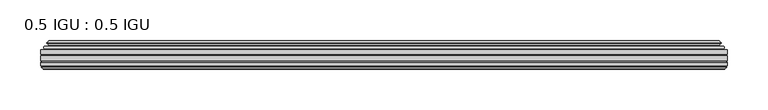
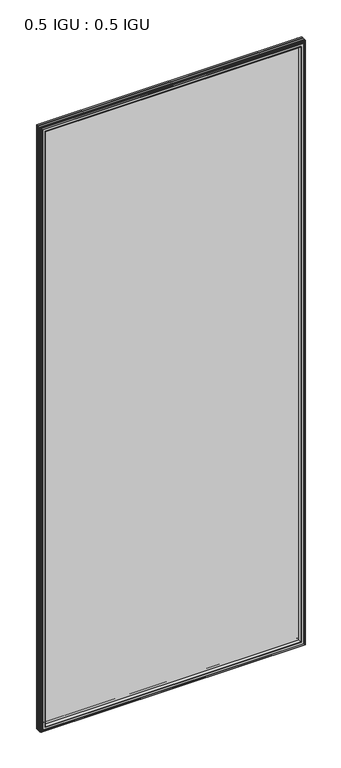
"""IFC4 building model written with IfcOpenShell, lengths in millimetres: plate geometry, 0.5 IGU : 0.5 IGU."""

from ifc_helpers import new_model, si_unit, frame, origin, place, context, project, spatial, polyline, ellipse_curve, outline, extrude, faceted_brep, source, transform, mapped, element, save
from ifc_brep_helpers import plane_surface, cylinder_surface, revolved_surface, advanced_brep


def plate_0_5_igu_0_5_igu_3813bb82(model_context):
    return source(origin(), model_context, "Body", "SolidModel", [
        extrude(outline(polyline([(420.701675, -55.82285), (420.701675, -61.48705), (-420.6875, -61.48705), (-420.6875, -55.82285), (420.701675, -55.82285)])), frame((0.0, 0.0, -14.2875), z_axis=(0.0, 0.0, 1.0), x_axis=(1.0, 0.0, 0.0)), (0.0, 0.0, 1.0), 2025.6537979),
        extrude(outline(polyline([(-420.6875, -69.05625), (-420.6875, -63.39205), (420.701675, -63.39205), (420.701675, -69.05625), (-420.6875, -69.05625)])), frame((0.0, 0.0, -14.2875), z_axis=(0.0, 0.0, 1.0), x_axis=(1.0, 0.0, 0.0)), (0.0, 0.0, 1.0), 2025.6537979),
        advanced_brep(
        [(-416.5849626, -54.3724927, 2007.2599626), (-415.5404378, -51.60645, 2006.2154378), (-415.5404378, -51.60645, -9.1404378), (-416.5849626, -54.3724927, -10.1849626), (-414.948517, -55.82285, 2005.623517), (-414.948517, -55.82285, -8.548517), (-406.4, -45.63745, 1997.075), (-402.8172761, -55.82285, 1993.4922761), (-402.8172761, -55.82285, 3.5827239), (-406.4, -45.63745, 0.0), (-411.5859109, -46.8185491, 2002.2609109), (-411.5859109, -46.8185491, -5.1859109), (-410.7888893, -44.8183085, 2001.4638893), (-410.7888893, -44.8183085, -4.3888893), (-413.0726111, -47.135817, 2003.7476111), (-413.0726111, -47.135817, -6.6726111), (-413.0726111, -47.8489429, 2003.7476111), (-413.0726111, -47.8489429, -6.6726111), (-410.7888893, -50.1664515, 2001.4638893), (-410.7888893, -50.1664515, -4.3888893), (-411.5782501, -48.1854367, 2002.2532501), (-411.5782501, -48.1854367, -5.1782501), (-409.0544379, -48.027045, 1999.7294379), (-409.0544379, -48.027045, -2.6544379), (-408.0286217, -48.7147544, 1998.7036217), (-408.0286217, -48.7147544, -1.6286217), (-408.1470288, -50.1092231, 1998.8220288), (-408.1470288, -50.1092231, -1.7470288), (-408.7487748, -51.60645, 1999.4237748), (-408.7487748, -51.60645, -2.3487748), (415.5404378, -51.60645, -9.1404378), (416.5849626, -54.3724927, -10.1849626), (414.948517, -55.82285, -8.548517), (402.8172761, -55.82285, 3.5827239), (406.4, -45.63745, 0.0), (411.5859109, -46.8185491, -5.1859109), (410.7888893, -44.8183085, -4.3888893), (413.0726111, -47.135817, -6.6726111), (413.0726111, -47.8489429, -6.6726111), (410.7888893, -50.1664515, -4.3888893), (411.5782501, -48.1854367, -5.1782501), (409.0544379, -48.027045, -2.6544379), (408.0286217, -48.7147544, -1.6286217), (408.1470288, -50.1092231, -1.7470288), (408.7487748, -51.60645, -2.3487748), (415.5404378, -51.60645, 2006.2154378), (416.5849626, -54.3724927, 2007.2599626), (414.948517, -55.82285, 2005.623517), (402.8172761, -55.82285, 1993.4922761), (406.4, -45.63745, 1997.075), (411.5859109, -46.8185491, 2002.2609109), (410.7888893, -44.8183085, 2001.4638893), (413.0726111, -47.135817, 2003.7476111), (413.0726111, -47.8489429, 2003.7476111), (410.7888893, -50.1664515, 2001.4638893), (411.5782501, -48.1854367, 2002.2532501), (409.0544379, -48.027045, 1999.7294379), (408.0286217, -48.7147544, 1998.7036217), (408.1470288, -50.1092231, 1998.8220288), (408.7487748, -51.60645, 1999.4237748)],
        [
            (0, 1, ellipse_curve(frame((-415.5320703, -53.1898501, 2006.2070703), z_axis=(-0.7071067811865475, 0.0, -0.7071067811865475), x_axis=(-0.7071067811865474, 0.0, 0.7071067811865476)), 2.2392971, 1.5834222)),
            (1, 2),
            (2, 3, ellipse_curve(frame((-415.5320703, -53.1898501, -9.1320703), z_axis=(-0.7071067811865475, 0.0, 0.7071067811865475), x_axis=(0.7071067811865474, 0.0, 0.7071067811865476)), 2.2392971, 1.5834222)),
            (3, 0),
            (4, 0),
            (3, 5),
            (5, 4),
            (6, 7, ellipse_curve(frame((-374.120246, -40.0058297, 1964.795246), z_axis=(0.7071067811865475, 0.0, 0.7071067811865475), x_axis=(0.7071067811865474, 0.0, -0.7071067811865476)), 46.3399971, 32.7673262)),
            (7, 8),
            (8, 9, ellipse_curve(frame((-374.120246, -40.0058297, 32.279754), z_axis=(0.7071067811865475, 0.0, -0.7071067811865475), x_axis=(-0.7071067811865474, 0.0, -0.7071067811865476)), 46.3399971, 32.7673262)),
            (9, 6),
            (10, 6),
            (9, 11),
            (11, 10),
            (12, 10),
            (11, 13),
            (13, 12),
            (14, 12),
            (13, 15),
            (15, 14),
            (16, 14, ellipse_curve(frame((-412.7107729, -47.49238, 2003.3857729), z_axis=(-0.7071067811865475, 0.0, -0.7071067811865475), x_axis=(-0.7071067811865474, 0.0, 0.7071067811865476)), 0.7184205, 0.508)),
            (15, 17, ellipse_curve(frame((-412.7107729, -47.49238, -6.3107729), z_axis=(-0.7071067811865475, 0.0, 0.7071067811865475), x_axis=(0.7071067811865474, 0.0, 0.7071067811865476)), 0.7184205, 0.508)),
            (17, 16),
            (18, 16),
            (17, 19),
            (19, 18),
            (20, 18),
            (19, 21),
            (21, 20),
            (22, 20),
            (21, 23),
            (23, 22),
            (24, 22, ellipse_curve(frame((-408.9908, -49.04105, 1999.6658), z_axis=(0.7071067811865475, 0.0, 0.7071067811865475), x_axis=(0.7071067811865474, 0.0, -0.7071067811865476)), 1.436841, 1.016)),
            (23, 25, ellipse_curve(frame((-408.9908, -49.04105, -2.5908), z_axis=(0.7071067811865475, 0.0, -0.7071067811865475), x_axis=(-0.7071067811865474, 0.0, -0.7071067811865476)), 1.436841, 1.016)),
            (25, 24),
            (26, 24, ellipse_curve(frame((-410.3624, -49.21885, 2001.0374), z_axis=(0.7071067811865475, 0.0, 0.7071067811865475), x_axis=(0.7071067811865474, 0.0, -0.7071067811865476)), 3.3765763, 2.3876)),
            (25, 27, ellipse_curve(frame((-410.3624, -49.21885, -3.9624), z_axis=(0.7071067811865475, 0.0, -0.7071067811865475), x_axis=(-0.7071067811865474, 0.0, -0.7071067811865476)), 3.3765763, 2.3876)),
            (27, 26),
            (28, 26),
            (27, 29),
            (29, 28),
            (2, 30),
            (30, 31, ellipse_curve(frame((415.5320703, -53.1898501, -9.1320703), z_axis=(-0.7071067811865475, 0.0, -0.7071067811865475), x_axis=(-0.7071067811865476, 0.0, 0.7071067811865474)), 2.2392971, 1.5834222)),
            (31, 3),
            (31, 32),
            (32, 5),
            (8, 33),
            (33, 34, ellipse_curve(frame((374.120246, -40.0058297, 32.279754), z_axis=(0.7071067811865475, 0.0, 0.7071067811865475), x_axis=(0.7071067811865476, 0.0, -0.7071067811865474)), 46.3399971, 32.7673262)),
            (34, 9),
            (34, 35),
            (35, 11),
            (35, 36),
            (36, 13),
            (36, 37),
            (37, 15),
            (37, 38, ellipse_curve(frame((412.7107729, -47.49238, -6.3107729), z_axis=(-0.7071067811865475, 0.0, -0.7071067811865475), x_axis=(-0.7071067811865476, 0.0, 0.7071067811865474)), 0.7184205, 0.508)),
            (38, 17),
            (38, 39),
            (39, 19),
            (39, 40),
            (40, 21),
            (40, 41),
            (41, 23),
            (41, 42, ellipse_curve(frame((408.9908, -49.04105, -2.5908), z_axis=(0.7071067811865475, 0.0, 0.7071067811865475), x_axis=(0.7071067811865476, 0.0, -0.7071067811865474)), 1.436841, 1.016)),
            (42, 25),
            (42, 43, ellipse_curve(frame((410.3624, -49.21885, -3.9624), z_axis=(0.7071067811865475, 0.0, 0.7071067811865475), x_axis=(0.7071067811865476, 0.0, -0.7071067811865474)), 3.3765763, 2.3876)),
            (43, 27),
            (43, 44),
            (44, 29),
            (30, 45),
            (45, 46, ellipse_curve(frame((415.5320703, -53.1898501, 2006.2070703), z_axis=(0.7071067811865475, 0.0, -0.7071067811865475), x_axis=(-0.7071067811865474, 0.0, -0.7071067811865476)), 2.2392971, 1.5834222)),
            (46, 31),
            (46, 47),
            (47, 32),
            (33, 48),
            (48, 49, ellipse_curve(frame((374.120246, -40.0058297, 1964.795246), z_axis=(-0.7071067811865475, 0.0, 0.7071067811865475), x_axis=(0.7071067811865474, 0.0, 0.7071067811865476)), 46.3399971, 32.7673262)),
            (49, 34),
            (49, 50),
            (50, 35),
            (50, 51),
            (51, 36),
            (51, 52),
            (52, 37),
            (52, 53, ellipse_curve(frame((412.7107729, -47.49238, 2003.3857729), z_axis=(0.7071067811865475, 0.0, -0.7071067811865475), x_axis=(-0.7071067811865474, 0.0, -0.7071067811865476)), 0.7184205, 0.508)),
            (53, 38),
            (53, 54),
            (54, 39),
            (54, 55),
            (55, 40),
            (55, 56),
            (56, 41),
            (56, 57, ellipse_curve(frame((408.9908, -49.04105, 1999.6658), z_axis=(-0.7071067811865475, 0.0, 0.7071067811865475), x_axis=(0.7071067811865474, 0.0, 0.7071067811865476)), 1.436841, 1.016)),
            (57, 42),
            (57, 58, ellipse_curve(frame((410.3624, -49.21885, 2001.0374), z_axis=(-0.7071067811865475, 0.0, 0.7071067811865475), x_axis=(0.7071067811865474, 0.0, 0.7071067811865476)), 3.3765763, 2.3876)),
            (58, 43),
            (58, 59),
            (59, 44),
            (45, 1),
            (0, 46),
            (4, 47),
            (7, 48),
            (6, 49),
            (10, 50),
            (12, 51),
            (14, 52),
            (16, 53),
            (18, 54),
            (20, 55),
            (22, 56),
            (24, 57),
            (26, 58),
            (28, 59),
        ],
        [
            cylinder_surface(frame((-415.5320703, -53.1898501, 2028.825), z_axis=(0.0, 0.0, 1.0), x_axis=(-1.0, 0.0, 0.0)), 1.5834222),
            plane_surface(frame((-416.5849626, -54.3724927, 2007.2599626), z_axis=(-0.6632745773184306, -0.7483761320907135, 0.0), x_axis=(0.0, 0.0, -1.0))),
            revolved_surface(polyline([(-406.8875722, -40.0058297, -0.48757218957507575), (-406.8875722, -40.0058297, 1997.562572189575)]), (-374.120246, -40.0058297, 2028.825), (0.0, 0.0, -1.0)),
            plane_surface(frame((-406.4, -45.63745, 1997.075), z_axis=(-0.2220649844278743, 0.975031867525902, 0.0), x_axis=(0.0, 0.0, -1.0))),
            plane_surface(frame((-411.5859109, -46.8185491, 2002.2609109), z_axis=(0.928968268563027, -0.37015936568323066, 0.0), x_axis=(0.0, 0.0, -1.0))),
            plane_surface(frame((-410.7888893, -44.8183085, 2001.4638893), z_axis=(-0.7122798501733482, 0.7018955869907096, 0.0), x_axis=(0.0, 0.0, -1.0))),
            cylinder_surface(frame((-412.7107729, -47.49238, 2028.825), z_axis=(0.0, 0.0, 1.0), x_axis=(-1.0, 0.0, 0.0)), 0.508),
            plane_surface(frame((-413.0726111, -47.8489429, 2003.7476111), z_axis=(-0.7122798501732925, -0.701895586990766, 0.0), x_axis=(0.0, 0.0, -1.0))),
            plane_surface(frame((-410.7888893, -50.1664515, 2001.4638893), z_axis=(0.9289682685628707, 0.3701593656836228, 0.0), x_axis=(0.0, 0.0, -1.0))),
            plane_surface(frame((-411.5782501, -48.1854367, 2002.2532501), z_axis=(0.0626357011928498, -0.9980364567169279, 0.0), x_axis=(0.0, 0.0, -1.0))),
            revolved_surface(polyline([(-410.0068, -49.04105, -3.6068000145867245), (-410.0068, -49.04105, 2000.6818000145868)]), (-408.9908, -49.04105, 2028.825), (0.0, 0.0, -1.0)),
            revolved_surface(polyline([(-412.75, -49.21885, -6.3499999989237494), (-412.75, -49.21885, 2003.4249999989238)]), (-410.3624, -49.21885, 2028.825), (0.0, 0.0, -1.0)),
            plane_surface(frame((-408.1470288, -50.1092231, 1998.8220288), z_axis=(-0.9278652925428184, 0.3729155385532094, 0.0), x_axis=(0.0, 0.0, -1.0))),
            cylinder_surface(frame((-438.15, -53.1898501, -9.1320703), z_axis=(-1.0, 0.0, 0.0), x_axis=(0.0, 0.0, -1.0)), 1.5834222),
            plane_surface(frame((-416.5849626, -54.3724927, -10.1849626), z_axis=(0.0, -0.7483761320907157, -0.6632745773184283), x_axis=(1.0, 0.0, 0.0))),
            revolved_surface(polyline([(406.88757218957505, -40.0058297, -0.48757220000000245), (-406.88757218957494, -40.0058297, -0.48757220000000245)]), (-438.15, -40.0058297, 32.279754), (1.0, 0.0, 0.0)),
            plane_surface(frame((-406.4, -45.63745, 0.0), z_axis=(0.0, 0.9750318675259013, -0.22206498442787745), x_axis=(1.0, 0.0, 0.0))),
            plane_surface(frame((-411.5859109, -46.8185491, -5.1859109), z_axis=(0.0, -0.37015936568322766, 0.9289682685630283), x_axis=(1.0, 0.0, 0.0))),
            plane_surface(frame((-410.7888893, -44.8183085, -4.3888893), z_axis=(0.0, 0.7018955869907073, -0.7122798501733504), x_axis=(1.0, 0.0, 0.0))),
            cylinder_surface(frame((-438.15, -47.49238, -6.3107729), z_axis=(-1.0, 0.0, 0.0), x_axis=(0.0, 0.0, -1.0)), 0.508),
            plane_surface(frame((-413.0726111, -47.8489429, -6.6726111), z_axis=(0.0, -0.7018955869907684, -0.7122798501732903), x_axis=(1.0, 0.0, 0.0))),
            plane_surface(frame((-410.7888893, -50.1664515, -4.3888893), z_axis=(0.0, 0.37015936568362584, 0.9289682685628696), x_axis=(1.0, 0.0, 0.0))),
            plane_surface(frame((-411.5782501, -48.1854367, -5.1782501), z_axis=(0.0, -0.9980364567169276, 0.06263570119285301), x_axis=(1.0, 0.0, 0.0))),
            revolved_surface(polyline([(410.0068000145868, -49.04105, -3.6068000000000002), (-410.0068000145868, -49.04105, -3.6068000000000002)]), (-438.15, -49.04105, -2.5908), (1.0, 0.0, 0.0)),
            revolved_surface(polyline([(412.7499999989237, -49.21885, -6.35), (-412.7499999989238, -49.21885, -6.35)]), (-438.15, -49.21885, -3.9624), (1.0, 0.0, 0.0)),
            plane_surface(frame((-408.1470288, -50.1092231, -1.7470288), z_axis=(0.0, 0.3729155385532064, -0.9278652925428196), x_axis=(1.0, 0.0, 0.0))),
            cylinder_surface(frame((415.5320703, -53.1898501, -31.75), z_axis=(0.0, 0.0, -1.0), x_axis=(1.0, 0.0, 0.0)), 1.5834222),
            plane_surface(frame((416.5849626, -54.3724927, -10.1849626), z_axis=(0.6632745773184259, -0.7483761320907178, 0.0), x_axis=(0.0, 0.0, 1.0))),
            revolved_surface(polyline([(406.8875722, -40.0058297, 1997.562572189575), (406.8875722, -40.0058297, -0.48757218957494075)]), (374.120246, -40.0058297, -31.75), (0.0, 0.0, 1.0)),
            plane_surface(frame((406.4, -45.63745, 0.0), z_axis=(0.22206498442788056, 0.9750318675259005, 0.0), x_axis=(0.0, 0.0, 1.0))),
            plane_surface(frame((411.5859109, -46.8185491, -5.1859109), z_axis=(-0.9289682685630295, -0.37015936568322466, 0.0), x_axis=(0.0, 0.0, 1.0))),
            plane_surface(frame((410.7888893, -44.8183085, -4.3888893), z_axis=(0.7122798501733526, 0.701895586990705, 0.0), x_axis=(0.0, 0.0, 1.0))),
            cylinder_surface(frame((412.7107729, -47.49238, -31.75), z_axis=(0.0, 0.0, -1.0), x_axis=(1.0, 0.0, 0.0)), 0.508),
            plane_surface(frame((413.0726111, -47.8489429, -6.6726111), z_axis=(0.712279850173288, -0.7018955869907706, 0.0), x_axis=(0.0, 0.0, 1.0))),
            plane_surface(frame((410.7888893, -50.1664515, -4.3888893), z_axis=(-0.9289682685628684, 0.37015936568362884, 0.0), x_axis=(0.0, 0.0, 1.0))),
            plane_surface(frame((411.5782501, -48.1854367, -5.1782501), z_axis=(-0.06263570119285623, -0.9980364567169274, 0.0), x_axis=(0.0, 0.0, 1.0))),
            revolved_surface(polyline([(410.0068, -49.04105, 2000.6818000145868), (410.0068, -49.04105, -3.606800014586863)]), (408.9908, -49.04105, -31.75), (0.0, 0.0, 1.0)),
            revolved_surface(polyline([(412.75, -49.21885, 2003.4249999989238), (412.75, -49.21885, -6.349999998923781)]), (410.3624, -49.21885, -31.75), (0.0, 0.0, 1.0)),
            plane_surface(frame((408.1470288, -50.1092231, -1.7470288), z_axis=(0.9278652925428208, 0.3729155385532034, 0.0), x_axis=(0.0, 0.0, 1.0))),
            cylinder_surface(frame((438.15, -53.1898501, 2006.2070703), z_axis=(1.0, 0.0, 0.0), x_axis=(0.0, 0.0, 1.0)), 1.5834222),
            plane_surface(frame((416.5849626, -54.3724927, 2007.2599626), z_axis=(0.0, -0.7483761320907157, 0.6632745773184283), x_axis=(-1.0, 0.0, 0.0))),
            plane_surface(frame((414.948517, -55.82285, 2005.623517), z_axis=(0.0, -1.0, 0.0), x_axis=(-1.0, 0.0, 0.0))),
            revolved_surface(polyline([(-406.88757218957505, -40.0058297, 1997.5625722), (406.88757218957494, -40.0058297, 1997.5625722)]), (438.15, -40.0058297, 1964.795246), (-1.0, 0.0, 0.0)),
            plane_surface(frame((406.4, -45.63745, 1997.075), z_axis=(0.0, 0.9750318675259012, 0.22206498442787742), x_axis=(-1.0, 0.0, 0.0))),
            plane_surface(frame((411.5859109, -46.8185491, 2002.2609109), z_axis=(0.0, -0.37015936568322766, -0.9289682685630283), x_axis=(-1.0, 0.0, 0.0))),
            plane_surface(frame((410.7888893, -44.8183085, 2001.4638893), z_axis=(0.0, 0.7018955869907073, 0.7122798501733504), x_axis=(-1.0, 0.0, 0.0))),
            cylinder_surface(frame((438.15, -47.49238, 2003.3857729), z_axis=(1.0, 0.0, 0.0), x_axis=(0.0, 0.0, 1.0)), 0.508),
            plane_surface(frame((413.0726111, -47.8489429, 2003.7476111), z_axis=(0.0, -0.7018955869907684, 0.7122798501732903), x_axis=(-1.0, 0.0, 0.0))),
            plane_surface(frame((410.7888893, -50.1664515, 2001.4638893), z_axis=(0.0, 0.37015936568362584, -0.9289682685628696), x_axis=(-1.0, 0.0, 0.0))),
            plane_surface(frame((411.5782501, -48.1854367, 2002.2532501), z_axis=(0.0, -0.9980364567169276, -0.06263570119285301), x_axis=(-1.0, 0.0, 0.0))),
            revolved_surface(polyline([(-410.0068000145868, -49.04105, 2000.6818), (410.0068000145868, -49.04105, 2000.6818)]), (438.15, -49.04105, 1999.6658), (-1.0, 0.0, 0.0)),
            revolved_surface(polyline([(-412.7499999989237, -49.21885, 2003.425), (412.7499999989238, -49.21885, 2003.425)]), (438.15, -49.21885, 2001.0374), (-1.0, 0.0, 0.0)),
            plane_surface(frame((408.1470288, -50.1092231, 1998.8220288), z_axis=(0.0, 0.3729155385532064, 0.9278652925428196), x_axis=(-1.0, 0.0, 0.0))),
            plane_surface(frame((408.7487748, -51.60645, 1999.4237748), z_axis=(0.0, 1.0, 0.0), x_axis=(-1.0, 0.0, 0.0))),
        ],
        [
            (0, [[1, 2, 3, 4]]),
            (1, [[5, -4, 6, 7]]),
            (2, [[8, 9, 10, 11]]),
            (3, [[12, -11, 13, 14]]),
            (4, [[15, -14, 16, 17]]),
            (5, [[18, -17, 19, 20]]),
            (6, [[21, -20, 22, 23]]),
            (7, [[24, -23, 25, 26]]),
            (8, [[27, -26, 28, 29]]),
            (9, [[30, -29, 31, 32]]),
            (10, [[33, -32, 34, 35]]),
            (11, [[36, -35, 37, 38]]),
            (12, [[39, -38, 40, 41]]),
            (13, [[-3, 42, 43, 44]]),
            (14, [[-6, -44, 45, 46]]),
            (15, [[-10, 47, 48, 49]]),
            (16, [[-13, -49, 50, 51]]),
            (17, [[-16, -51, 52, 53]]),
            (18, [[-19, -53, 54, 55]]),
            (19, [[-22, -55, 56, 57]]),
            (20, [[-25, -57, 58, 59]]),
            (21, [[-28, -59, 60, 61]]),
            (22, [[-31, -61, 62, 63]]),
            (23, [[-34, -63, 64, 65]]),
            (24, [[-37, -65, 66, 67]]),
            (25, [[-40, -67, 68, 69]]),
            (26, [[-43, 70, 71, 72]]),
            (27, [[-45, -72, 73, 74]]),
            (28, [[-48, 75, 76, 77]]),
            (29, [[-50, -77, 78, 79]]),
            (30, [[-52, -79, 80, 81]]),
            (31, [[-54, -81, 82, 83]]),
            (32, [[-56, -83, 84, 85]]),
            (33, [[-58, -85, 86, 87]]),
            (34, [[-60, -87, 88, 89]]),
            (35, [[-62, -89, 90, 91]]),
            (36, [[-64, -91, 92, 93]]),
            (37, [[-66, -93, 94, 95]]),
            (38, [[-68, -95, 96, 97]]),
            (39, [[-71, 98, -1, 99]]),
            (40, [[-73, -99, -5, 100]]),
            (41, [[-46, -74, -100, -7], [101, -75, -47, -9]]),
            (42, [[-76, -101, -8, 102]]),
            (43, [[-78, -102, -12, 103]]),
            (44, [[-80, -103, -15, 104]]),
            (45, [[-82, -104, -18, 105]]),
            (46, [[-84, -105, -21, 106]]),
            (47, [[-86, -106, -24, 107]]),
            (48, [[-88, -107, -27, 108]]),
            (49, [[-90, -108, -30, 109]]),
            (50, [[-92, -109, -33, 110]]),
            (51, [[-94, -110, -36, 111]]),
            (52, [[-96, -111, -39, 112]]),
            (53, [[-98, -70, -42, -2], [-69, -97, -112, -41]]),
        ],
    ),
        faceted_brep([(-402.5457827, -69.05625, 1993.2207827), (-405.1120798, -77.94625, 1995.7870798), (-405.1120798, -77.94625, 1.2879202), (-402.5457827, -69.05625, 3.8542173), (-420.7002, -71.2633102, 2011.3752), (-418.4931398, -69.05625, 2009.1681398), (-418.4931398, -69.05625, -12.0931398), (-420.7002, -71.2633102, -14.3002), (-420.7002, -75.40625, 2011.3752), (-420.7002, -75.40625, -14.3002), (-418.2811775, -76.58989, 2008.9561775), (-419.1508, -75.40625, 2009.8258), (-419.1508, -75.40625, -12.7508), (-418.2811775, -76.58989, -11.8811775), (-418.084, -77.8875884, 2008.759), (-418.084, -77.8875884, -11.684), (-419.05966, -77.3578917, 2009.73466), (-419.05966, -77.3578917, -12.65966), (-417.5252, -79.1749663, 2008.2002), (-419.8523305, -77.3578917, 2010.5273305), (-419.8523305, -77.3578917, -13.4523305), (-417.5252, -79.1749663, -11.1252), (-415.1980695, -77.3578917, 2005.8730695), (-415.1980695, -77.3578917, -8.7980695), (-416.9664, -77.8875884, 2007.6414), (-415.99074, -77.3578917, 2006.66574), (-415.99074, -77.3578917, -9.59074), (-416.9664, -77.8875884, -10.5664), (-416.7692225, -76.58989, 2007.4442225), (-416.7692225, -76.58989, -10.3692225), (-415.8996, -75.40625, 2006.5746), (-415.8996, -75.40625, -9.4996), (-406.7513667, -77.94625, 1997.4263667), (-406.2222, -75.40625, 1996.8972), (-406.2222, -75.40625, 0.1778), (-406.7513667, -77.94625, -0.3513667), (405.1120798, -77.94625, 1.2879202), (402.5457827, -69.05625, 3.8542173), (418.4931398, -69.05625, -12.0931398), (420.7002, -71.2633102, -14.3002), (420.7002, -75.40625, -14.3002), (419.1508, -75.40625, -12.7508), (418.2811775, -76.58989, -11.8811775), (418.084, -77.8875884, -11.684), (419.05966, -77.3578917, -12.65966), (419.8523305, -77.3578917, -13.4523305), (417.5252, -79.1749663, -11.1252), (415.1980695, -77.3578917, -8.7980695), (415.99074, -77.3578917, -9.59074), (416.9664, -77.8875884, -10.5664), (416.7692225, -76.58989, -10.3692225), (415.8996, -75.40625, -9.4996), (406.2222, -75.40625, 0.1778), (406.7513667, -77.94625, -0.3513667), (405.1120798, -77.94625, 1995.7870798), (402.5457827, -69.05625, 1993.2207827), (418.4931398, -69.05625, 2009.1681398), (420.7002, -71.2633102, 2011.3752), (420.7002, -75.40625, 2011.3752), (419.1508, -75.40625, 2009.8258), (418.2811775, -76.58989, 2008.9561775), (418.084, -77.8875884, 2008.759), (419.05966, -77.3578917, 2009.73466), (419.8523305, -77.3578917, 2010.5273305), (417.5252, -79.1749663, 2008.2002), (415.1980695, -77.3578917, 2005.8730695), (415.99074, -77.3578917, 2006.66574), (416.9664, -77.8875884, 2007.6414), (416.7692225, -76.58989, 2007.4442225), (415.8996, -75.40625, 2006.5746), (406.2222, -75.40625, 1996.8972), (406.7513667, -77.94625, 1997.4263667)], [[[0, 1, 2, 3]], [[4, 5, 6, 7]], [[8, 4, 7, 9]], [[10, 11, 12, 13]], [[14, 10, 13, 15]], [[16, 14, 15, 17]], [[18, 19, 20, 21]], [[22, 18, 21, 23]], [[24, 25, 26, 27]], [[28, 24, 27, 29]], [[30, 28, 29, 31]], [[32, 33, 34, 35]], [[3, 2, 36, 37]], [[7, 6, 38, 39]], [[9, 7, 39, 40]], [[13, 12, 41, 42]], [[15, 13, 42, 43]], [[17, 15, 43, 44]], [[21, 20, 45, 46]], [[23, 21, 46, 47]], [[27, 26, 48, 49]], [[29, 27, 49, 50]], [[31, 29, 50, 51]], [[35, 34, 52, 53]], [[37, 36, 54, 55]], [[39, 38, 56, 57]], [[40, 39, 57, 58]], [[42, 41, 59, 60]], [[43, 42, 60, 61]], [[44, 43, 61, 62]], [[46, 45, 63, 64]], [[47, 46, 64, 65]], [[49, 48, 66, 67]], [[50, 49, 67, 68]], [[51, 50, 68, 69]], [[53, 52, 70, 71]], [[55, 54, 1, 0]], [[5, 56, 38, 6], [3, 37, 55, 0]], [[57, 56, 5, 4]], [[58, 57, 4, 8]], [[9, 40, 58, 8], [11, 59, 41, 12]], [[60, 59, 11, 10]], [[61, 60, 10, 14]], [[62, 61, 14, 16]], [[19, 63, 45, 20], [17, 44, 62, 16]], [[64, 63, 19, 18]], [[65, 64, 18, 22]], [[25, 66, 48, 26], [23, 47, 65, 22]], [[67, 66, 25, 24]], [[68, 67, 24, 28]], [[69, 68, 28, 30]], [[31, 51, 69, 30], [33, 70, 52, 34]], [[71, 70, 33, 32]], [[35, 53, 71, 32], [1, 54, 36, 2]]]),
    ])


if __name__ == "__main__":
    model = new_model("IFC4")
    model_context = context("Model", 3, world=origin())
    ifc_project = project(units=[si_unit("LENGTHUNIT", "METRE", prefix="MILLI")], contexts=[model_context])
    site = spatial("IfcSite", under=ifc_project)
    building = spatial("IfcBuilding", under=site)
    placement = place(None, origin())
    plate_0_5_igu_0_5_igu_shape = plate_0_5_igu_0_5_igu_3813bb82(model_context)
    element("IfcPlate", 1, ObjectType="0.5 IGU : 0.5 IGU", at=placement, inside=building, context=model_context, shape_type="MappedRepresentation", body=[
        mapped(plate_0_5_igu_0_5_igu_shape, transform((0.0, 0.0, 0.0), x_axis=(1.0, 0.0, 0.0), y_axis=(0.0, 1.0, 0.0), z_axis=(0.0, 0.0, 1.0))),
    ])
    save(model, "model.ifc")
